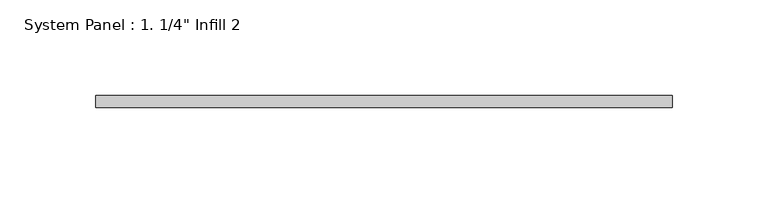
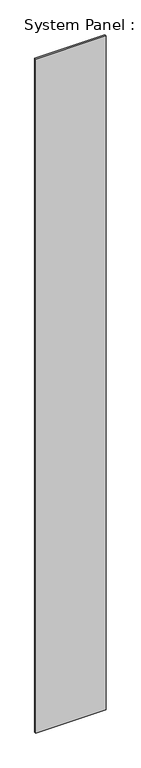
"""IFC4 building model written with IfcOpenShell, lengths in millimetres: plate geometry."""

from ifc_helpers import new_model, si_unit, origin, origin_with_axes, place, context, project, spatial, polyline, outline, extrude, source, transform, mapped, element, save


def plate_18b6b60d(model_context):
    return source(origin(), model_context, "Body", "SweptSolid", [
        extrude(outline(polyline([(150.8405242, 0.0), (-150.8405242, 0.0), (-150.8405242, 6.35), (150.8405242, 6.35), (150.8405242, 0.0)])), origin_with_axes(), (0.0, 0.0, 1.0), 3048.0),
    ])


if __name__ == "__main__":
    model = new_model("IFC4")
    model_context = context("Model", 3, world=origin())
    ifc_project = project(units=[si_unit("LENGTHUNIT", "METRE", prefix="MILLI")], contexts=[model_context])
    site = spatial("IfcSite", under=ifc_project)
    building = spatial("IfcBuilding", under=site)
    placement = place(None, origin())
    plate_shape = plate_18b6b60d(model_context)
    element("IfcPlate", 1, ObjectType="System Panel : 1. 1/4\" Infill 2", at=placement, inside=building, context=model_context, shape_type="MappedRepresentation", body=[
        mapped(plate_shape, transform((0.0, 0.0, 0.0), x_axis=(1.0, 0.0, 0.0), y_axis=(0.0, 1.0, 0.0), z_axis=(0.0, 0.0, 1.0))),
    ])
    save(model, "model.ifc")
